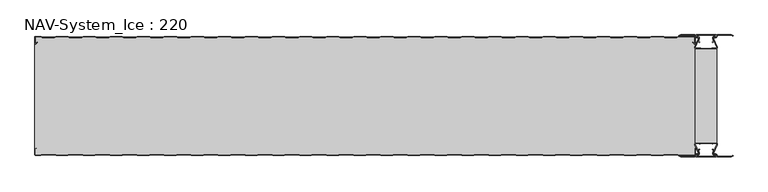
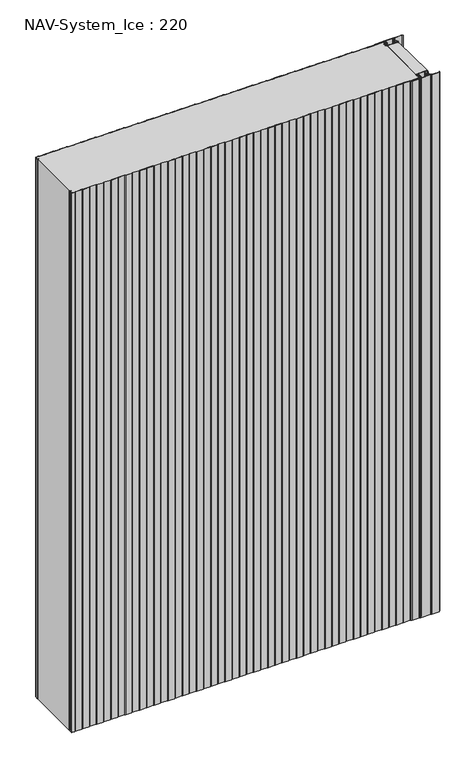
"""IFC4 building model written with IfcOpenShell, lengths in millimetres: plate geometry, NAV-System_Ice : 220."""

from ifc_helpers import new_model, si_unit, point, frame_2d, origin, origin_with_axes, place, context, project, spatial, polyline, circle_curve, trimmed, segment, composite_curve, outline, extrude, source, transform, mapped, element, save


def nav_system_ice_220_c81079e5(model_context):
    return source(origin(), model_context, "Body", "SweptSolid", [
        extrude(outline(polyline([(630.0, -196.9693935), (590.0, -196.9693935), (590.0, -23.0306065), (630.0, -23.0306065), (630.0, -196.9693935)])), origin_with_axes(), (0.0, 0.0, 1.0), 2000.0),
        extrude(outline(composite_curve([segment(trimmed(circle_curve(frame_2d((599.1138734, -211.8417863)), 3.357884), [point((596.1169606, -213.3563483))], [point((597.7243711, -208.7848813))], False, "CARTESIAN"), True, "CONTINUOUS"), segment(polyline([(597.7243711, -208.7848813), (598.0554135, -209.5131744)]), True, "CONTINUOUS"), segment(trimmed(circle_curve(frame_2d((599.1138734, -211.8417863)), 2.557884), [point((598.0554135, -209.5131744))], [point((596.8448746, -213.0226397))], True, "CARTESIAN"), True, "CONTINUOUS"), segment(polyline([(596.8448746, -213.0226397), (597.7376807, -215.2182139)]), True, "CONTINUOUS"), segment(trimmed(circle_curve(frame_2d((593.7962884, -216.3456266)), 4.0994674), [point((597.7376807, -215.2182139))], [point((593.7866434, -220.4450826))], False, "CARTESIAN"), True, "CONTINUOUS"), segment(polyline([(593.7866434, -220.4450826), (592.2194901, -220.4092333)]), True, "CONTINUOUS"), segment(trimmed(circle_curve(frame_2d((592.2592624, -221.3027113)), 0.8943628), [point((592.2194901, -220.4092333))], [point((592.2592624, -222.1970741))], True, "CARTESIAN"), True, "CONTINUOUS"), segment(polyline([(592.2592624, -222.1970741), (627.7407376, -222.1970741)]), True, "CONTINUOUS"), segment(trimmed(circle_curve(frame_2d((627.7407376, -221.3027113)), 0.8943628), [point((627.7407376, -222.1970741))], [point((627.7805099, -220.4092333))], True, "CARTESIAN"), True, "CONTINUOUS"), segment(polyline([(627.7805099, -220.4092333), (626.2133566, -220.4450826)]), True, "CONTINUOUS"), segment(trimmed(circle_curve(frame_2d((626.2037116, -216.3456266)), 4.0994674), [point((626.2133566, -220.4450826))], [point((622.2623193, -215.2182139))], False, "CARTESIAN"), True, "CONTINUOUS"), segment(polyline([(622.2623193, -215.2182139), (623.1551254, -213.0226397)]), True, "CONTINUOUS"), segment(trimmed(circle_curve(frame_2d((620.8861266, -211.8417863)), 2.557884), [point((623.1551254, -213.0226397))], [point((621.9445865, -209.5131744))], True, "CARTESIAN"), True, "CONTINUOUS"), segment(polyline([(621.9445865, -209.5131744), (622.2756289, -208.7848813)]), True, "CONTINUOUS"), segment(trimmed(circle_curve(frame_2d((620.8861266, -211.8417863)), 3.357884), [point((622.2756289, -208.7848813))], [point((623.8830394, -213.3563483))], False, "CARTESIAN"), True, "CONTINUOUS"), segment(polyline([(623.8830394, -213.3563483), (623.0205049, -215.4774793)]), True, "CONTINUOUS"), segment(trimmed(circle_curve(frame_2d((626.2037116, -216.3456266)), 3.2994674), [point((623.0205049, -215.4774793))], [point((626.2037116, -219.645094))], True, "CARTESIAN"), True, "CONTINUOUS"), segment(polyline([(626.2037116, -219.645094), (627.7848884, -219.6089239)]), True, "CONTINUOUS"), segment(trimmed(circle_curve(frame_2d((627.7407376, -221.3027113)), 1.6943628), [point((627.7848884, -219.6089239))], [point((627.7407423, -222.9970741))], False, "CARTESIAN"), True, "CONTINUOUS"), segment(polyline([(627.7407423, -222.9970741), (592.2592577, -222.9970741)]), True, "CONTINUOUS"), segment(trimmed(circle_curve(frame_2d((592.2592624, -221.3027113)), 1.6943628), [point((592.2592577, -222.9970741))], [point((592.2151116, -219.6089239))], False, "CARTESIAN"), True, "CONTINUOUS"), segment(polyline([(592.2151116, -219.6089239), (593.7962884, -219.645094)]), True, "CONTINUOUS"), segment(trimmed(circle_curve(frame_2d((593.7962884, -216.3456266)), 3.2994674), [point((593.7962884, -219.645094))], [point((596.9794951, -215.4774793))], True, "CARTESIAN"), True, "CONTINUOUS"), segment(polyline([(596.9794951, -215.4774793), (596.1169606, -213.3563483)]), True, "CONTINUOUS")], self_intersect=False)), origin_with_axes(), (0.0, 0.0, 1.0), 2000.0),
        extrude(outline(composite_curve([segment(polyline([(596.1169606, -6.6436517), (596.9794951, -4.5225207)]), True, "CONTINUOUS"), segment(trimmed(circle_curve(frame_2d((593.7962884, -3.6543734)), 3.2994674), [point((596.9794951, -4.5225207))], [point((593.7962884, -0.354906))], True, "CARTESIAN"), True, "CONTINUOUS"), segment(polyline([(593.7962884, -0.354906), (592.2151116, -0.3910761)]), True, "CONTINUOUS"), segment(trimmed(circle_curve(frame_2d((592.2592624, 1.3027113)), 1.6943628), [point((592.2151116, -0.3910761))], [point((592.2592577, 2.9970741))], False, "CARTESIAN"), True, "CONTINUOUS"), segment(polyline([(592.2592577, 2.9970741), (627.7407423, 2.9970741)]), True, "CONTINUOUS"), segment(trimmed(circle_curve(frame_2d((627.7407376, 1.3027113)), 1.6943628), [point((627.7407423, 2.9970741))], [point((627.7848884, -0.3910761))], False, "CARTESIAN"), True, "CONTINUOUS"), segment(polyline([(627.7848884, -0.3910761), (626.2037116, -0.354906)]), True, "CONTINUOUS"), segment(trimmed(circle_curve(frame_2d((626.2037116, -3.6543734)), 3.2994674), [point((626.2037116, -0.354906))], [point((623.0205049, -4.5225207))], True, "CARTESIAN"), True, "CONTINUOUS"), segment(polyline([(623.0205049, -4.5225207), (623.8830394, -6.6436517)]), True, "CONTINUOUS"), segment(trimmed(circle_curve(frame_2d((620.8861266, -8.1582137)), 3.357884), [point((623.8830394, -6.6436517))], [point((622.2756289, -11.2151187))], False, "CARTESIAN"), True, "CONTINUOUS"), segment(polyline([(622.2756289, -11.2151187), (621.9445865, -10.4868256)]), True, "CONTINUOUS"), segment(trimmed(circle_curve(frame_2d((620.8861266, -8.1582137)), 2.557884), [point((621.9445865, -10.4868256))], [point((623.1551254, -6.9773603))], True, "CARTESIAN"), True, "CONTINUOUS"), segment(polyline([(623.1551254, -6.9773603), (622.2623193, -4.7817861)]), True, "CONTINUOUS"), segment(trimmed(circle_curve(frame_2d((626.2037116, -3.6543734)), 4.0994674), [point((622.2623193, -4.7817861))], [point((626.2133566, 0.4450826))], False, "CARTESIAN"), True, "CONTINUOUS"), segment(polyline([(626.2133566, 0.4450826), (627.7805099, 0.4092333)]), True, "CONTINUOUS"), segment(trimmed(circle_curve(frame_2d((627.7407376, 1.3027113)), 0.8943628), [point((627.7805099, 0.4092333))], [point((627.7407376, 2.1970741))], True, "CARTESIAN"), True, "CONTINUOUS"), segment(polyline([(627.7407376, 2.1970741), (592.2592624, 2.1970741)]), True, "CONTINUOUS"), segment(trimmed(circle_curve(frame_2d((592.2592624, 1.3027113)), 0.8943628), [point((592.2592624, 2.1970741))], [point((592.2194901, 0.4092333))], True, "CARTESIAN"), True, "CONTINUOUS"), segment(polyline([(592.2194901, 0.4092333), (593.7866434, 0.4450826)]), True, "CONTINUOUS"), segment(trimmed(circle_curve(frame_2d((593.7962884, -3.6543734)), 4.0994674), [point((593.7866434, 0.4450826))], [point((597.7376807, -4.7817861))], False, "CARTESIAN"), True, "CONTINUOUS"), segment(polyline([(597.7376807, -4.7817861), (596.8448746, -6.9773603)]), True, "CONTINUOUS"), segment(trimmed(circle_curve(frame_2d((599.1138734, -8.1582137)), 2.557884), [point((596.8448746, -6.9773603))], [point((598.0554135, -10.4868256))], True, "CARTESIAN"), True, "CONTINUOUS"), segment(polyline([(598.0554135, -10.4868256), (597.7243711, -11.2151187)]), True, "CONTINUOUS"), segment(trimmed(circle_curve(frame_2d((599.1138734, -8.1582137)), 3.357884), [point((597.7243711, -11.2151187))], [point((596.1169606, -6.6436517))], False, "CARTESIAN"), True, "CONTINUOUS")], self_intersect=False)), origin_with_axes(), (0.0, 0.0, 1.0), 2000.0),
        extrude(outline(composite_curve([segment(trimmed(circle_curve(frame_2d((591.9446371, -199.7746821)), 1.80576), [point((591.9446371, -197.9689221))], [point((590.2170288, -200.300171))], True, "CARTESIAN"), True, "CONTINUOUS"), segment(polyline([(590.2170288, -200.300171), (596.4690067, -214.9459892)]), True, "CONTINUOUS"), segment(trimmed(circle_curve(frame_2d((593.7254406, -215.9868127)), 2.93436), [point((596.4690067, -214.9459892))], [point((593.7254406, -218.9211727))], False, "CARTESIAN"), True, "CONTINUOUS"), segment(polyline([(593.7254406, -218.9211727), (592.1347887, -218.9211727)]), True, "CONTINUOUS"), segment(trimmed(circle_curve(frame_2d((592.1347887, -220.5012127)), 1.58004), [point((592.1347887, -218.9211727))], [point((590.931072, -219.4776931))], True, "CARTESIAN"), True, "CONTINUOUS"), segment(polyline([(590.931072, -219.4776931), (589.0191946, -223.0112573), (562.9417977, -223.0112573), (560.0, -221.2043676), (560.523373, -220.3522639), (563.2243806, -222.0112573), (588.4232658, -222.0112573), (590.0952671, -218.9210361)]), True, "CONTINUOUS"), segment(trimmed(circle_curve(frame_2d((592.1347887, -220.5012127)), 2.58004), [point((590.0952671, -218.9210361))], [point((592.1347887, -217.9211727))], False, "CARTESIAN"), True, "CONTINUOUS"), segment(polyline([(592.1347887, -217.9211727), (593.7254406, -217.9211727)]), True, "CONTINUOUS"), segment(trimmed(circle_curve(frame_2d((593.7254406, -215.9868127)), 1.93436), [point((593.7254406, -217.9211727))], [point((595.5404425, -215.3178459))], True, "CARTESIAN"), True, "CONTINUOUS"), segment(polyline([(595.5404425, -215.3178459), (589.2784311, -200.6484726)]), True, "CONTINUOUS"), segment(trimmed(circle_curve(frame_2d((591.9446225, -199.7747413)), 2.8057055), [point((589.2784311, -200.6484726))], [point((591.9446225, -196.9690357))], False, "CARTESIAN"), True, "CONTINUOUS"), segment(polyline([(591.9446225, -196.9690357), (595.755568, -196.9690357)]), True, "CONTINUOUS"), segment(trimmed(circle_curve(frame_2d((595.7555679, -199.0975873)), 2.1285516), [point((595.755568, -196.9690357))], [point((597.1042828, -197.4508633))], False, "CARTESIAN"), True, "CONTINUOUS"), segment(trimmed(circle_curve(frame_2d((598.2552034, -196.0456377)), 1.8163913), [point((597.1042828, -197.4508633))], [point((599.4059468, -197.4510085))], True, "CARTESIAN"), True, "CONTINUOUS"), segment(trimmed(circle_curve(frame_2d((600.7543352, -199.0977575)), 2.128364), [point((599.4059468, -197.4510085))], [point((600.7543352, -196.9693935))], False, "CARTESIAN"), True, "CONTINUOUS"), segment(polyline([(600.7543352, -196.9693935), (619.2454674, -196.9693935)]), True, "CONTINUOUS"), segment(trimmed(circle_curve(frame_2d((619.2454674, -199.0977884)), 2.1283949), [point((619.2454674, -196.9693935))], [point((620.594293, -197.4513576))], False, "CARTESIAN"), True, "CONTINUOUS"), segment(trimmed(circle_curve(frame_2d((621.7456338, -196.0459847)), 1.8167715), [point((620.594293, -197.4513576))], [point((622.8963798, -197.4518446))], True, "CARTESIAN"), True, "CONTINUOUS"), segment(trimmed(circle_curve(frame_2d((624.244105, -199.0983528)), 2.1277576), [point((622.8963798, -197.4518446))], [point((624.244105, -196.9705952))], False, "CARTESIAN"), True, "CONTINUOUS"), segment(polyline([(624.244105, -196.9705952), (628.0535675, -196.9705952)]), True, "CONTINUOUS"), segment(trimmed(circle_curve(frame_2d((628.0535675, -199.7787791)), 2.8081839), [point((628.0535675, -196.9705952))], [point((630.7287795, -200.6326746))], False, "CARTESIAN"), True, "CONTINUOUS"), segment(polyline([(630.7287795, -200.6326746), (624.4595575, -215.3178459)]), True, "CONTINUOUS"), segment(trimmed(circle_curve(frame_2d((626.2745595, -215.9868127)), 1.93436), [point((624.4595575, -215.3178459))], [point((626.2745595, -217.9211727))], True, "CARTESIAN"), True, "CONTINUOUS"), segment(polyline([(626.2745595, -217.9211727), (627.8652113, -217.9211727)]), True, "CONTINUOUS"), segment(trimmed(circle_curve(frame_2d((627.8652113, -220.5012127)), 2.58004), [point((627.8652113, -217.9211727))], [point((629.9047329, -218.9210361))], False, "CARTESIAN"), True, "CONTINUOUS"), segment(polyline([(629.9047329, -218.9210361), (631.5767342, -222.0112573), (656.7756194, -222.0112573), (659.476627, -220.3522639), (660.0, -221.2043676), (657.0582024, -223.0112573), (630.9808054, -223.0112573), (629.068928, -219.4776931)]), True, "CONTINUOUS"), segment(trimmed(circle_curve(frame_2d((627.8652113, -220.5012127)), 1.58004), [point((629.068928, -219.4776931))], [point((627.8652113, -218.9211727))], True, "CARTESIAN"), True, "CONTINUOUS"), segment(polyline([(627.8652113, -218.9211727), (626.2745595, -218.9211727)]), True, "CONTINUOUS"), segment(trimmed(circle_curve(frame_2d((626.2745595, -215.9868127)), 2.93436), [point((626.2745595, -218.9211727))], [point((623.5309933, -214.9459892))], False, "CARTESIAN"), True, "CONTINUOUS"), segment(polyline([(623.5309933, -214.9459892), (629.7829713, -200.300171)]), True, "CONTINUOUS"), segment(trimmed(circle_curve(frame_2d((628.0553629, -199.7746822)), 1.80576), [point((629.7829713, -200.300171))], [point((628.0553629, -197.9689222))], True, "CARTESIAN"), True, "CONTINUOUS"), segment(polyline([(628.0553629, -197.9689222), (623.5184731, -197.9689222)]), True, "CONTINUOUS"), segment(trimmed(circle_curve(frame_2d((621.7449981, -196.0455076)), 2.6162449), [point((623.5184731, -197.9689222))], [point((619.7766029, -197.7689222))], False, "CARTESIAN"), True, "CONTINUOUS"), segment(polyline([(619.7766029, -197.7689222), (600.2233971, -197.7689222)]), True, "CONTINUOUS"), segment(trimmed(circle_curve(frame_2d((598.255002, -196.0455076)), 2.6162449), [point((600.2233971, -197.7689222))], [point((596.4815269, -197.9689221))], False, "CARTESIAN"), True, "CONTINUOUS"), segment(polyline([(596.4815269, -197.9689221), (591.9446371, -197.9689221)]), True, "CONTINUOUS")], self_intersect=False)), origin_with_axes(), (0.0, 0.0, 1.0), 2000.0),
        extrude(outline(composite_curve([segment(polyline([(591.9446371, -22.0310778), (596.4815269, -22.0310778)]), True, "CONTINUOUS"), segment(trimmed(circle_curve(frame_2d((598.2550019, -23.9544924)), 2.6162449), [point((596.4815269, -22.0310778))], [point((600.2233971, -22.2310778))], False, "CARTESIAN"), True, "CONTINUOUS"), segment(polyline([(600.2233971, -22.2310778), (619.7766029, -22.2310778)]), True, "CONTINUOUS"), segment(trimmed(circle_curve(frame_2d((621.7449981, -23.9544924)), 2.6162449), [point((619.7766029, -22.2310778))], [point((623.5184731, -22.0310778))], False, "CARTESIAN"), True, "CONTINUOUS"), segment(polyline([(623.5184731, -22.0310778), (628.0553629, -22.0310778)]), True, "CONTINUOUS"), segment(trimmed(circle_curve(frame_2d((628.0553629, -20.2253178)), 1.80576), [point((628.0553629, -22.0310778))], [point((629.7829712, -19.699829))], True, "CARTESIAN"), True, "CONTINUOUS"), segment(polyline([(629.7829712, -19.699829), (623.5309933, -5.0540108)]), True, "CONTINUOUS"), segment(trimmed(circle_curve(frame_2d((626.2745594, -4.0131873)), 2.93436), [point((623.5309933, -5.0540108))], [point((626.2745594, -1.0788273))], False, "CARTESIAN"), True, "CONTINUOUS"), segment(polyline([(626.2745594, -1.0788273), (627.8652113, -1.0788273)]), True, "CONTINUOUS"), segment(trimmed(circle_curve(frame_2d((627.8652113, 0.5012127)), 1.58004), [point((627.8652113, -1.0788273))], [point((629.068928, -0.5223069))], True, "CARTESIAN"), True, "CONTINUOUS"), segment(polyline([(629.068928, -0.5223069), (630.9808054, 3.0112573), (657.0582023, 3.0112573), (660.0, 1.2043676), (659.476627, 0.3522639), (656.7756194, 2.0112573), (631.5767342, 2.0112573), (629.9047329, -1.0789639)]), True, "CONTINUOUS"), segment(trimmed(circle_curve(frame_2d((627.8652113, 0.5012127)), 2.58004), [point((629.9047329, -1.0789639))], [point((627.8652113, -2.0788273))], False, "CARTESIAN"), True, "CONTINUOUS"), segment(polyline([(627.8652113, -2.0788273), (626.2745594, -2.0788273)]), True, "CONTINUOUS"), segment(trimmed(circle_curve(frame_2d((626.2745594, -4.0131873)), 1.93436), [point((626.2745594, -2.0788273))], [point((624.4595575, -4.6821541))], True, "CARTESIAN"), True, "CONTINUOUS"), segment(polyline([(624.4595575, -4.6821541), (630.7287795, -19.3673254)]), True, "CONTINUOUS"), segment(trimmed(circle_curve(frame_2d((628.0535675, -20.2212209)), 2.8081839), [point((630.7287795, -19.3673254))], [point((628.0535675, -23.0294048))], False, "CARTESIAN"), True, "CONTINUOUS"), segment(polyline([(628.0535675, -23.0294048), (624.244105, -23.0294048)]), True, "CONTINUOUS"), segment(trimmed(circle_curve(frame_2d((624.244105, -20.9016472)), 2.1277576), [point((624.244105, -23.0294048))], [point((622.8963798, -22.5481554))], False, "CARTESIAN"), True, "CONTINUOUS"), segment(trimmed(circle_curve(frame_2d((621.7456337, -23.9540153)), 1.8167716), [point((622.8963798, -22.5481554))], [point((620.5942929, -22.5486423))], True, "CARTESIAN"), True, "CONTINUOUS"), segment(trimmed(circle_curve(frame_2d((619.2454674, -20.9022116)), 2.1283949), [point((620.5942929, -22.5486423))], [point((619.2454674, -23.0306065))], False, "CARTESIAN"), True, "CONTINUOUS"), segment(polyline([(619.2454674, -23.0306065), (600.7543352, -23.0306065)]), True, "CONTINUOUS"), segment(trimmed(circle_curve(frame_2d((600.7543352, -20.9022425)), 2.128364), [point((600.7543352, -23.0306065))], [point((599.4059468, -22.5489915))], False, "CARTESIAN"), True, "CONTINUOUS"), segment(trimmed(circle_curve(frame_2d((598.2552034, -23.9543623)), 1.8163912), [point((599.4059468, -22.5489915))], [point((597.1042828, -22.5491367))], True, "CARTESIAN"), True, "CONTINUOUS"), segment(trimmed(circle_curve(frame_2d((595.7555679, -20.9024127)), 2.1285516), [point((597.1042828, -22.5491367))], [point((595.7555679, -23.0309643))], False, "CARTESIAN"), True, "CONTINUOUS"), segment(polyline([(595.7555679, -23.0309643), (591.9446225, -23.0309643)]), True, "CONTINUOUS"), segment(trimmed(circle_curve(frame_2d((591.9446225, -20.2252587)), 2.8057055), [point((591.9446225, -23.0309643))], [point((589.2784311, -19.3515274))], False, "CARTESIAN"), True, "CONTINUOUS"), segment(polyline([(589.2784311, -19.3515274), (595.5404425, -4.6821541)]), True, "CONTINUOUS"), segment(trimmed(circle_curve(frame_2d((593.7254406, -4.0131873)), 1.93436), [point((595.5404425, -4.6821541))], [point((593.7254406, -2.0788273))], True, "CARTESIAN"), True, "CONTINUOUS"), segment(polyline([(593.7254406, -2.0788273), (592.1347887, -2.0788273)]), True, "CONTINUOUS"), segment(trimmed(circle_curve(frame_2d((592.1347887, 0.5012127)), 2.58004), [point((592.1347887, -2.0788273))], [point((590.0952671, -1.0789639))], False, "CARTESIAN"), True, "CONTINUOUS"), segment(polyline([(590.0952671, -1.0789639), (588.4232658, 2.0112573), (563.2243806, 2.0112573), (560.523373, 0.3522639), (560.0, 1.2043676), (562.9417977, 3.0112573), (589.0191946, 3.0112573), (590.931072, -0.5223069)]), True, "CONTINUOUS"), segment(trimmed(circle_curve(frame_2d((592.1347887, 0.5012127)), 1.58004), [point((590.931072, -0.5223069))], [point((592.1347887, -1.0788273))], True, "CARTESIAN"), True, "CONTINUOUS"), segment(polyline([(592.1347887, -1.0788273), (593.7254406, -1.0788273)]), True, "CONTINUOUS"), segment(trimmed(circle_curve(frame_2d((593.7254406, -4.0131873)), 2.93436), [point((593.7254406, -1.0788273))], [point((596.4690067, -5.0540108))], False, "CARTESIAN"), True, "CONTINUOUS"), segment(polyline([(596.4690067, -5.0540108), (590.2170288, -19.699829)]), True, "CONTINUOUS"), segment(trimmed(circle_curve(frame_2d((591.9446371, -20.2253178)), 1.80576), [point((590.2170288, -19.699829))], [point((591.9446371, -22.0310778))], True, "CARTESIAN"), True, "CONTINUOUS")], self_intersect=False)), origin_with_axes(), (0.0, 0.0, 1.0), 2000.0),
        extrude(outline(composite_curve([segment(polyline([(559.1298221, -0.8), (556.1298221, -1.8), (533.8701779, -1.8), (530.8701779, -0.8), (509.1298221, -0.8), (506.1298221, -1.8), (483.8701779, -1.8), (480.8701779, -0.8), (459.1298221, -0.8), (456.1298221, -1.8), (433.8701779, -1.8), (430.8701779, -0.8), (409.1298221, -0.8), (406.1298221, -1.8), (383.8701779, -1.8), (380.8701779, -0.8), (359.1298221, -0.8), (356.1298221, -1.8), (333.8701779, -1.8), (330.8701779, -0.8), (309.1298221, -0.8), (306.1298221, -1.8), (283.8701779, -1.8), (280.8701779, -0.8), (259.1298221, -0.8), (256.1298221, -1.8), (233.8701779, -1.8), (230.8701779, -0.8), (209.1298221, -0.8), (206.1298221, -1.8), (183.8701779, -1.8), (180.8701779, -0.8), (159.1298221, -0.8), (156.1298221, -1.8), (133.8701779, -1.8), (130.8701779, -0.8), (109.1298221, -0.8), (106.1298221, -1.8), (83.8701779, -1.8), (80.8701779, -0.8), (59.1298221, -0.8), (56.1298221, -1.8), (33.8701779, -1.8), (30.8701779, -0.8), (9.1298221, -0.8), (6.1298221, -1.8), (-16.1298221, -1.8), (-19.1298221, -0.8), (-40.8701779, -0.8), (-43.8701779, -1.8), (-66.1298221, -1.8), (-69.1298221, -0.8), (-90.8701779, -0.8), (-93.8701779, -1.8), (-116.1298221, -1.8), (-119.1298221, -0.8), (-140.8701779, -0.8), (-143.8701779, -1.8), (-166.1298221, -1.8), (-169.1298221, -0.8), (-190.8701779, -0.8), (-193.8701779, -1.8), (-216.1298221, -1.8), (-219.1298221, -0.8), (-240.8701779, -0.8), (-243.8701779, -1.8), (-266.1298221, -1.8), (-269.1298221, -0.8), (-290.8701779, -0.8), (-293.8701779, -1.8), (-316.1298221, -1.8), (-319.1298221, -0.8), (-340.8701779, -0.8), (-343.8701779, -1.8), (-366.1298221, -1.8), (-369.1298221, -0.8), (-390.8701779, -0.8), (-393.8701779, -1.8), (-416.1298221, -1.8), (-419.1298221, -0.8), (-440.8701779, -0.8), (-443.8701779, -1.8), (-466.1298221, -1.8), (-469.1298221, -0.8), (-490.8701779, -0.8), (-493.8701779, -1.8), (-516.1298221, -1.8), (-519.1298221, -0.8), (-540.8701779, -0.8), (-543.8701779, -1.8), (-566.1298221, -1.8), (-569.1298221, -0.8), (-590.8701779, -0.8), (-593.8701779, -1.8), (-616.1298221, -1.8), (-619.1298221, -0.8), (-628.7, -0.8)]), True, "CONTINUOUS"), segment(trimmed(circle_curve(frame_2d((-628.7, -1.3)), 0.5), [point((-628.7, -0.8))], [point((-629.2, -1.3))], True, "CARTESIAN"), True, "CONTINUOUS"), segment(polyline([(-629.2, -1.3), (-629.2, -12.5857864)]), True, "CONTINUOUS"), segment(trimmed(circle_curve(frame_2d((-628.7, -12.5857864)), 0.5), [point((-629.2, -12.5857864))], [point((-628.3464466, -12.9393398))], True, "CARTESIAN"), True, "CONTINUOUS"), segment(polyline([(-628.3464466, -12.9393398), (-625.9205321, -10.5134253), (-625.3548467, -11.0791108), (-627.7807612, -13.5050253)]), True, "CONTINUOUS"), segment(trimmed(circle_curve(frame_2d((-628.7, -12.5857864)), 1.3), [point((-627.7807612, -13.5050253))], [point((-630.0, -12.5857864))], False, "CARTESIAN"), True, "CONTINUOUS"), segment(polyline([(-630.0, -12.5857864), (-630.0, -1.3)]), True, "CONTINUOUS"), segment(trimmed(circle_curve(frame_2d((-628.7, -1.3)), 1.3), [point((-630.0, -1.3))], [point((-628.7, 0.0))], False, "CARTESIAN"), True, "CONTINUOUS"), segment(polyline([(-628.7, 0.0), (-619.0, 0.0), (-616.0, -1.0), (-594.0, -1.0), (-591.0, 0.0), (-569.0, 0.0), (-566.0, -1.0), (-544.0, -1.0), (-541.0, 0.0), (-519.0, 0.0), (-516.0, -1.0), (-494.0, -1.0), (-491.0, 0.0), (-469.0, 0.0), (-466.0, -1.0), (-444.0, -1.0), (-441.0, 0.0), (-419.0, 0.0), (-416.0, -1.0), (-394.0, -1.0), (-391.0, 0.0), (-369.0, 0.0), (-366.0, -1.0), (-344.0, -1.0), (-341.0, 0.0), (-319.0, 0.0), (-316.0, -1.0), (-294.0, -1.0), (-291.0, 0.0), (-269.0, 0.0), (-266.0, -1.0), (-244.0, -1.0), (-241.0, 0.0), (-219.0, 0.0), (-216.0, -1.0), (-194.0, -1.0), (-191.0, 0.0), (-169.0, 0.0), (-166.0, -1.0), (-144.0, -1.0), (-141.0, 0.0), (-119.0, 0.0), (-116.0, -1.0), (-94.0, -1.0), (-91.0, 0.0), (-69.0, 0.0), (-66.0, -1.0), (-44.0, -1.0), (-41.0, 0.0), (-19.0, 0.0), (-16.0, -1.0), (6.0, -1.0), (9.0, 0.0), (31.0, 0.0), (34.0, -1.0), (56.0, -1.0), (59.0, 0.0), (81.0, 0.0), (84.0, -1.0), (106.0, -1.0), (109.0, 0.0), (131.0, 0.0), (134.0, -1.0), (156.0, -1.0), (159.0, 0.0), (181.0, 0.0), (184.0, -1.0), (206.0, -1.0), (209.0, 0.0), (231.0, 0.0), (234.0, -1.0), (256.0, -1.0), (259.0, 0.0), (281.0, 0.0), (284.0, -1.0), (306.0, -1.0), (309.0, 0.0), (331.0, 0.0), (334.0, -1.0), (356.0, -1.0), (359.0, 0.0), (381.0, 0.0), (384.0, -1.0), (406.0, -1.0), (409.0, 0.0), (431.0, 0.0), (434.0, -1.0), (456.0, -1.0), (459.0, 0.0), (481.0, 0.0), (484.0, -1.0), (506.0, -1.0), (509.0, 0.0), (531.0, 0.0), (534.0, -1.0), (556.0, -1.0), (559.0, 0.0), (588.7, 0.0)]), True, "CONTINUOUS"), segment(trimmed(circle_curve(frame_2d((588.7, -1.3)), 1.3), [point((588.7, 0.0))], [point((590.0, -1.3))], False, "CARTESIAN"), True, "CONTINUOUS"), segment(polyline([(590.0, -1.3), (590.0, -12.5857864)]), True, "CONTINUOUS"), segment(trimmed(circle_curve(frame_2d((588.7, -12.5857864)), 1.3), [point((590.0, -12.5857864))], [point((587.7807612, -13.5050253))], False, "CARTESIAN"), True, "CONTINUOUS"), segment(polyline([(587.7807612, -13.5050253), (585.3548467, -11.0791108), (585.9205321, -10.5134253), (588.3464466, -12.9393398)]), True, "CONTINUOUS"), segment(trimmed(circle_curve(frame_2d((588.7, -12.5857864)), 0.5), [point((588.3464466, -12.9393398))], [point((589.2, -12.5857864))], True, "CARTESIAN"), True, "CONTINUOUS"), segment(polyline([(589.2, -12.5857864), (589.2, -1.3)]), True, "CONTINUOUS"), segment(trimmed(circle_curve(frame_2d((588.7, -1.3)), 0.5), [point((589.2, -1.3))], [point((588.7, -0.8))], True, "CARTESIAN"), True, "CONTINUOUS"), segment(polyline([(588.7, -0.8), (559.1298221, -0.8)]), True, "CONTINUOUS")], self_intersect=False)), origin_with_axes(), (0.0, 0.0, 1.0), 2000.0),
        extrude(outline(composite_curve([segment(polyline([(559.1298221, -0.8), (588.7, -0.8)]), True, "CONTINUOUS"), segment(trimmed(circle_curve(frame_2d((588.7, -1.3)), 0.5), [point((588.7, -0.8))], [point((589.2, -1.3))], False, "CARTESIAN"), True, "CONTINUOUS"), segment(polyline([(589.2, -1.3), (589.2, -12.5857864)]), True, "CONTINUOUS"), segment(trimmed(circle_curve(frame_2d((588.7, -12.5857864)), 0.5), [point((589.2, -12.5857864))], [point((588.3464466, -12.9393398))], False, "CARTESIAN"), True, "CONTINUOUS"), segment(polyline([(588.3464466, -12.9393398), (585.9205321, -10.5134253), (585.3548467, -11.0791108), (587.7807612, -13.5050253)]), True, "CONTINUOUS"), segment(trimmed(circle_curve(frame_2d((588.7, -12.5857864)), 1.3), [point((587.7807612, -13.5050253))], [point((588.7, -13.8857864))], True, "CARTESIAN"), True, "CONTINUOUS"), segment(polyline([(588.7, -13.8857864), (590.0, -13.8857864), (590.0, -206.1142136), (588.7, -206.1142136)]), True, "CONTINUOUS"), segment(trimmed(circle_curve(frame_2d((588.7, -207.4142136)), 1.3), [point((588.7, -206.1142136))], [point((587.7807612, -206.4949747))], True, "CARTESIAN"), True, "CONTINUOUS"), segment(polyline([(587.7807612, -206.4949747), (585.3548467, -208.9208892), (585.9205321, -209.4865747), (588.3464466, -207.0606602)]), True, "CONTINUOUS"), segment(trimmed(circle_curve(frame_2d((588.7, -207.4142136)), 0.5), [point((588.3464466, -207.0606602))], [point((589.2, -207.4142136))], False, "CARTESIAN"), True, "CONTINUOUS"), segment(polyline([(589.2, -207.4142136), (589.2, -218.7)]), True, "CONTINUOUS"), segment(trimmed(circle_curve(frame_2d((588.7, -218.7)), 0.5), [point((589.2, -218.7))], [point((588.7, -219.2))], False, "CARTESIAN"), True, "CONTINUOUS"), segment(polyline([(588.7, -219.2), (559.1298221, -219.2), (556.1298221, -218.2), (533.8701779, -218.2), (530.8701779, -219.2), (509.1298221, -219.2), (506.1298221, -218.2), (483.8701779, -218.2), (480.8701779, -219.2), (459.1298221, -219.2), (456.1298221, -218.2), (433.8701779, -218.2), (430.8701779, -219.2), (409.1298221, -219.2), (406.1298221, -218.2), (383.8701779, -218.2), (380.8701779, -219.2), (359.1298221, -219.2), (356.1298221, -218.2), (333.8701779, -218.2), (330.8701779, -219.2), (309.1298221, -219.2), (306.1298221, -218.2), (283.8701779, -218.2), (280.8701779, -219.2), (259.1298221, -219.2), (256.1298221, -218.2), (233.8701779, -218.2), (230.8701779, -219.2), (209.1298221, -219.2), (206.1298221, -218.2), (183.8701779, -218.2), (180.8701779, -219.2), (159.1298221, -219.2), (156.1298221, -218.2), (133.8701779, -218.2), (130.8701779, -219.2), (109.1298221, -219.2), (106.1298221, -218.2), (83.8701779, -218.2), (80.8701779, -219.2), (59.1298221, -219.2), (56.1298221, -218.2), (33.8701779, -218.2), (30.8701779, -219.2), (9.1298221, -219.2), (6.1298221, -218.2), (-16.1298221, -218.2), (-19.1298221, -219.2), (-40.8701779, -219.2), (-43.8701779, -218.2), (-66.1298221, -218.2), (-69.1298221, -219.2), (-90.8701779, -219.2), (-93.8701779, -218.2), (-116.1298221, -218.2), (-119.1298221, -219.2), (-140.8701779, -219.2), (-143.8701779, -218.2), (-166.1298221, -218.2), (-169.1298221, -219.2), (-190.8701779, -219.2), (-193.8701779, -218.2), (-216.1298221, -218.2), (-219.1298221, -219.2), (-240.8701779, -219.2), (-243.8701779, -218.2), (-266.1298221, -218.2), (-269.1298221, -219.2), (-290.8701779, -219.2), (-293.8701779, -218.2), (-316.1298221, -218.2), (-319.1298221, -219.2), (-340.8701779, -219.2), (-343.8701779, -218.2), (-366.1298221, -218.2), (-369.1298221, -219.2), (-390.8701779, -219.2), (-393.8701779, -218.2), (-416.1298221, -218.2), (-419.1298221, -219.2), (-440.8701779, -219.2), (-443.8701779, -218.2), (-466.1298221, -218.2), (-469.1298221, -219.2), (-490.8701779, -219.2), (-493.8701779, -218.2), (-516.1298221, -218.2), (-519.1298221, -219.2), (-540.8701779, -219.2), (-543.8701779, -218.2), (-566.1298221, -218.2), (-569.1298221, -219.2), (-590.8701779, -219.2), (-593.8701779, -218.2), (-616.1298221, -218.2), (-619.1298221, -219.2), (-628.7, -219.2)]), True, "CONTINUOUS"), segment(trimmed(circle_curve(frame_2d((-628.7, -218.7)), 0.5), [point((-628.7, -219.2))], [point((-629.2, -218.7))], False, "CARTESIAN"), True, "CONTINUOUS"), segment(polyline([(-629.2, -218.7), (-629.2, -207.4142136)]), True, "CONTINUOUS"), segment(trimmed(circle_curve(frame_2d((-628.7, -207.4142136)), 0.5), [point((-629.2, -207.4142136))], [point((-628.3464466, -207.0606602))], False, "CARTESIAN"), True, "CONTINUOUS"), segment(polyline([(-628.3464466, -207.0606602), (-625.9205321, -209.4865747), (-625.3548467, -208.9208892), (-627.7807612, -206.4949747)]), True, "CONTINUOUS"), segment(trimmed(circle_curve(frame_2d((-628.7, -207.4142136)), 1.3), [point((-627.7807612, -206.4949747))], [point((-628.7, -206.1142136))], True, "CARTESIAN"), True, "CONTINUOUS"), segment(polyline([(-628.7, -206.1142136), (-630.0, -206.1142136), (-630.0, -13.8857864), (-628.7, -13.8857864)]), True, "CONTINUOUS"), segment(trimmed(circle_curve(frame_2d((-628.7, -12.5857864)), 1.3), [point((-628.7, -13.8857864))], [point((-627.7807612, -13.5050253))], True, "CARTESIAN"), True, "CONTINUOUS"), segment(polyline([(-627.7807612, -13.5050253), (-625.3548467, -11.0791108), (-625.9205321, -10.5134253), (-628.3464466, -12.9393398)]), True, "CONTINUOUS"), segment(trimmed(circle_curve(frame_2d((-628.7, -12.5857864)), 0.5), [point((-628.3464466, -12.9393398))], [point((-629.2, -12.5857864))], False, "CARTESIAN"), True, "CONTINUOUS"), segment(polyline([(-629.2, -12.5857864), (-629.2, -1.3)]), True, "CONTINUOUS"), segment(trimmed(circle_curve(frame_2d((-628.7, -1.3)), 0.5), [point((-629.2, -1.3))], [point((-628.7, -0.8))], False, "CARTESIAN"), True, "CONTINUOUS"), segment(polyline([(-628.7, -0.8), (-619.1298221, -0.8), (-616.1298221, -1.8), (-593.8701779, -1.8), (-590.8701779, -0.8), (-569.1298221, -0.8), (-566.1298221, -1.8), (-543.8701779, -1.8), (-540.8701779, -0.8), (-519.1298221, -0.8), (-516.1298221, -1.8), (-493.8701779, -1.8), (-490.8701779, -0.8), (-469.1298221, -0.8), (-466.1298221, -1.8), (-443.8701779, -1.8), (-440.8701779, -0.8), (-419.1298221, -0.8), (-416.1298221, -1.8), (-393.8701779, -1.8), (-390.8701779, -0.8), (-369.1298221, -0.8), (-366.1298221, -1.8), (-343.8701779, -1.8), (-340.8701779, -0.8), (-319.1298221, -0.8), (-316.1298221, -1.8), (-293.8701779, -1.8), (-290.8701779, -0.8), (-269.1298221, -0.8), (-266.1298221, -1.8), (-243.8701779, -1.8), (-240.8701779, -0.8), (-219.1298221, -0.8), (-216.1298221, -1.8), (-193.8701779, -1.8), (-190.8701779, -0.8), (-169.1298221, -0.8), (-166.1298221, -1.8), (-143.8701779, -1.8), (-140.8701779, -0.8), (-119.1298221, -0.8), (-116.1298221, -1.8), (-93.8701779, -1.8), (-90.8701779, -0.8), (-69.1298221, -0.8), (-66.1298221, -1.8), (-43.8701779, -1.8), (-40.8701779, -0.8), (-19.1298221, -0.8), (-16.1298221, -1.8), (6.1298221, -1.8), (9.1298221, -0.8), (30.8701779, -0.8), (33.8701779, -1.8), (56.1298221, -1.8), (59.1298221, -0.8), (80.8701779, -0.8), (83.8701779, -1.8), (106.1298221, -1.8), (109.1298221, -0.8), (130.8701779, -0.8), (133.8701779, -1.8), (156.1298221, -1.8), (159.1298221, -0.8), (180.8701779, -0.8), (183.8701779, -1.8), (206.1298221, -1.8), (209.1298221, -0.8), (230.8701779, -0.8), (233.8701779, -1.8), (256.1298221, -1.8), (259.1298221, -0.8), (280.8701779, -0.8), (283.8701779, -1.8), (306.1298221, -1.8), (309.1298221, -0.8), (330.8701779, -0.8), (333.8701779, -1.8), (356.1298221, -1.8), (359.1298221, -0.8), (380.8701779, -0.8), (383.8701779, -1.8), (406.1298221, -1.8), (409.1298221, -0.8), (430.8701779, -0.8), (433.8701779, -1.8), (456.1298221, -1.8), (459.1298221, -0.8), (480.8701779, -0.8), (483.8701779, -1.8), (506.1298221, -1.8), (509.1298221, -0.8), (530.8701779, -0.8), (533.8701779, -1.8), (556.1298221, -1.8), (559.1298221, -0.8)]), True, "CONTINUOUS")], self_intersect=False)), origin_with_axes(), (0.0, 0.0, 1.0), 2000.0),
        extrude(outline(composite_curve([segment(polyline([(559.1298221, -219.2), (588.7, -219.2)]), True, "CONTINUOUS"), segment(trimmed(circle_curve(frame_2d((588.7, -218.7)), 0.5), [point((588.7, -219.2))], [point((589.2, -218.7))], True, "CARTESIAN"), True, "CONTINUOUS"), segment(polyline([(589.2, -218.7), (589.2, -207.4142136)]), True, "CONTINUOUS"), segment(trimmed(circle_curve(frame_2d((588.7, -207.4142136)), 0.5), [point((589.2, -207.4142136))], [point((588.3464466, -207.0606602))], True, "CARTESIAN"), True, "CONTINUOUS"), segment(polyline([(588.3464466, -207.0606602), (585.9205321, -209.4865747), (585.3548467, -208.9208892), (587.7807612, -206.4949747)]), True, "CONTINUOUS"), segment(trimmed(circle_curve(frame_2d((588.7, -207.4142136)), 1.3), [point((587.7807612, -206.4949747))], [point((590.0, -207.4142136))], False, "CARTESIAN"), True, "CONTINUOUS"), segment(polyline([(590.0, -207.4142136), (590.0, -218.7)]), True, "CONTINUOUS"), segment(trimmed(circle_curve(frame_2d((588.7, -218.7)), 1.3), [point((590.0, -218.7))], [point((588.7, -220.0))], False, "CARTESIAN"), True, "CONTINUOUS"), segment(polyline([(588.7, -220.0), (559.0, -220.0), (556.0, -219.0), (534.0, -219.0), (531.0, -220.0), (509.0, -220.0), (506.0, -219.0), (484.0, -219.0), (481.0, -220.0), (459.0, -220.0), (456.0, -219.0), (434.0, -219.0), (431.0, -220.0), (409.0, -220.0), (406.0, -219.0), (384.0, -219.0), (381.0, -220.0), (359.0, -220.0), (356.0, -219.0), (334.0, -219.0), (331.0, -220.0), (309.0, -220.0), (306.0, -219.0), (284.0, -219.0), (281.0, -220.0), (259.0, -220.0), (256.0, -219.0), (234.0, -219.0), (231.0, -220.0), (209.0, -220.0), (206.0, -219.0), (184.0, -219.0), (181.0, -220.0), (159.0, -220.0), (156.0, -219.0), (134.0, -219.0), (131.0, -220.0), (109.0, -220.0), (106.0, -219.0), (84.0, -219.0), (81.0, -220.0), (59.0, -220.0), (56.0, -219.0), (34.0, -219.0), (31.0, -220.0), (9.0, -220.0), (6.0, -219.0), (-16.0, -219.0), (-19.0, -220.0), (-41.0, -220.0), (-44.0, -219.0), (-66.0, -219.0), (-69.0, -220.0), (-91.0, -220.0), (-94.0, -219.0), (-116.0, -219.0), (-119.0, -220.0), (-141.0, -220.0), (-144.0, -219.0), (-166.0, -219.0), (-169.0, -220.0), (-191.0, -220.0), (-194.0, -219.0), (-216.0, -219.0), (-219.0, -220.0), (-241.0, -220.0), (-244.0, -219.0), (-266.0, -219.0), (-269.0, -220.0), (-291.0, -220.0), (-294.0, -219.0), (-316.0, -219.0), (-319.0, -220.0), (-341.0, -220.0), (-344.0, -219.0), (-366.0, -219.0), (-369.0, -220.0), (-391.0, -220.0), (-394.0, -219.0), (-416.0, -219.0), (-419.0, -220.0), (-441.0, -220.0), (-444.0, -219.0), (-466.0, -219.0), (-469.0, -220.0), (-491.0, -220.0), (-494.0, -219.0), (-516.0, -219.0), (-519.0, -220.0), (-541.0, -220.0), (-544.0, -219.0), (-566.0, -219.0), (-569.0, -220.0), (-591.0, -220.0), (-594.0, -219.0), (-616.0, -219.0), (-619.0, -220.0), (-628.7, -220.0)]), True, "CONTINUOUS"), segment(trimmed(circle_curve(frame_2d((-628.7, -218.7)), 1.3), [point((-628.7, -220.0))], [point((-630.0, -218.7))], False, "CARTESIAN"), True, "CONTINUOUS"), segment(polyline([(-630.0, -218.7), (-630.0, -207.4142136)]), True, "CONTINUOUS"), segment(trimmed(circle_curve(frame_2d((-628.7, -207.4142136)), 1.3), [point((-630.0, -207.4142136))], [point((-627.7807612, -206.4949747))], False, "CARTESIAN"), True, "CONTINUOUS"), segment(polyline([(-627.7807612, -206.4949747), (-625.3548467, -208.9208892), (-625.9205321, -209.4865747), (-628.3464466, -207.0606602)]), True, "CONTINUOUS"), segment(trimmed(circle_curve(frame_2d((-628.7, -207.4142136)), 0.5), [point((-628.3464466, -207.0606602))], [point((-629.2, -207.4142136))], True, "CARTESIAN"), True, "CONTINUOUS"), segment(polyline([(-629.2, -207.4142136), (-629.2, -218.7)]), True, "CONTINUOUS"), segment(trimmed(circle_curve(frame_2d((-628.7, -218.7)), 0.5), [point((-629.2, -218.7))], [point((-628.7, -219.2))], True, "CARTESIAN"), True, "CONTINUOUS"), segment(polyline([(-628.7, -219.2), (-619.1298221, -219.2), (-616.1298221, -218.2), (-593.8701779, -218.2), (-590.8701779, -219.2), (-569.1298221, -219.2), (-566.1298221, -218.2), (-543.8701779, -218.2), (-540.8701779, -219.2), (-519.1298221, -219.2), (-516.1298221, -218.2), (-493.8701779, -218.2), (-490.8701779, -219.2), (-469.1298221, -219.2), (-466.1298221, -218.2), (-443.8701779, -218.2), (-440.8701779, -219.2), (-419.1298221, -219.2), (-416.1298221, -218.2), (-393.8701779, -218.2), (-390.8701779, -219.2), (-369.1298221, -219.2), (-366.1298221, -218.2), (-343.8701779, -218.2), (-340.8701779, -219.2), (-319.1298221, -219.2), (-316.1298221, -218.2), (-293.8701779, -218.2), (-290.8701779, -219.2), (-269.1298221, -219.2), (-266.1298221, -218.2), (-243.8701779, -218.2), (-240.8701779, -219.2), (-219.1298221, -219.2), (-216.1298221, -218.2), (-193.8701779, -218.2), (-190.8701779, -219.2), (-169.1298221, -219.2), (-166.1298221, -218.2), (-143.8701779, -218.2), (-140.8701779, -219.2), (-119.1298221, -219.2), (-116.1298221, -218.2), (-93.8701779, -218.2), (-90.8701779, -219.2), (-69.1298221, -219.2), (-66.1298221, -218.2), (-43.8701779, -218.2), (-40.8701779, -219.2), (-19.1298221, -219.2), (-16.1298221, -218.2), (6.1298221, -218.2), (9.1298221, -219.2), (30.8701779, -219.2), (33.8701779, -218.2), (56.1298221, -218.2), (59.1298221, -219.2), (80.8701779, -219.2), (83.8701779, -218.2), (106.1298221, -218.2), (109.1298221, -219.2), (130.8701779, -219.2), (133.8701779, -218.2), (156.1298221, -218.2), (159.1298221, -219.2), (180.8701779, -219.2), (183.8701779, -218.2), (206.1298221, -218.2), (209.1298221, -219.2), (230.8701779, -219.2), (233.8701779, -218.2), (256.1298221, -218.2), (259.1298221, -219.2), (280.8701779, -219.2), (283.8701779, -218.2), (306.1298221, -218.2), (309.1298221, -219.2), (330.8701779, -219.2), (333.8701779, -218.2), (356.1298221, -218.2), (359.1298221, -219.2), (380.8701779, -219.2), (383.8701779, -218.2), (406.1298221, -218.2), (409.1298221, -219.2), (430.8701779, -219.2), (433.8701779, -218.2), (456.1298221, -218.2), (459.1298221, -219.2), (480.8701779, -219.2), (483.8701779, -218.2), (506.1298221, -218.2), (509.1298221, -219.2), (530.8701779, -219.2), (533.8701779, -218.2), (556.1298221, -218.2), (559.1298221, -219.2)]), True, "CONTINUOUS")], self_intersect=False)), origin_with_axes(), (0.0, 0.0, 1.0), 2000.0),
    ])


if __name__ == "__main__":
    model = new_model("IFC4")
    model_context = context("Model", 3, world=origin())
    ifc_project = project(units=[si_unit("LENGTHUNIT", "METRE", prefix="MILLI")], contexts=[model_context])
    site = spatial("IfcSite", under=ifc_project)
    building = spatial("IfcBuilding", under=site)
    placement = place(None, origin())
    nav_system_ice_220_shape = nav_system_ice_220_c81079e5(model_context)
    element("IfcPlate", 1, ObjectType="NAV-System_Ice : 220", at=placement, inside=building, context=model_context, shape_type="MappedRepresentation", body=[
        mapped(nav_system_ice_220_shape, transform((0.0, 0.0, 0.0), x_axis=(1.0, 0.0, 0.0), y_axis=(0.0, 1.0, 0.0), z_axis=(0.0, 0.0, 1.0))),
    ])
    save(model, "model.ifc")
